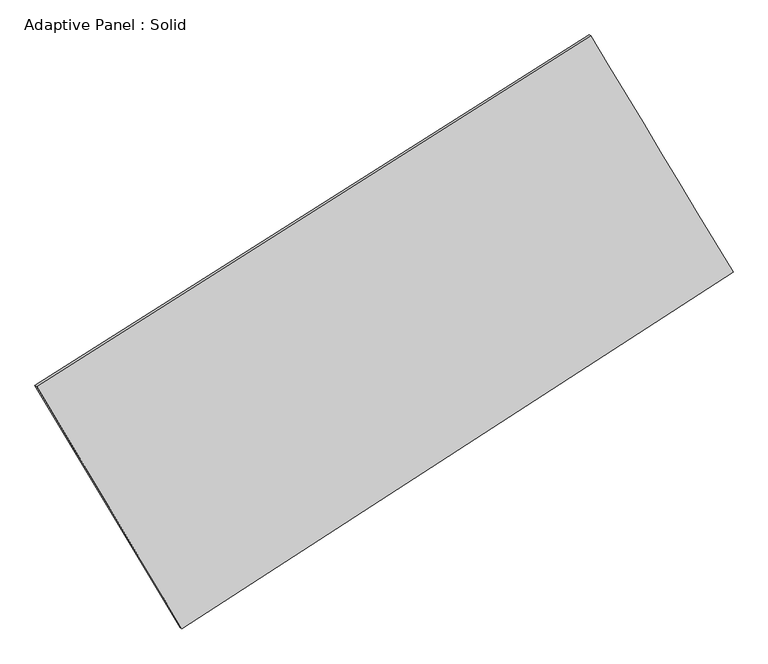
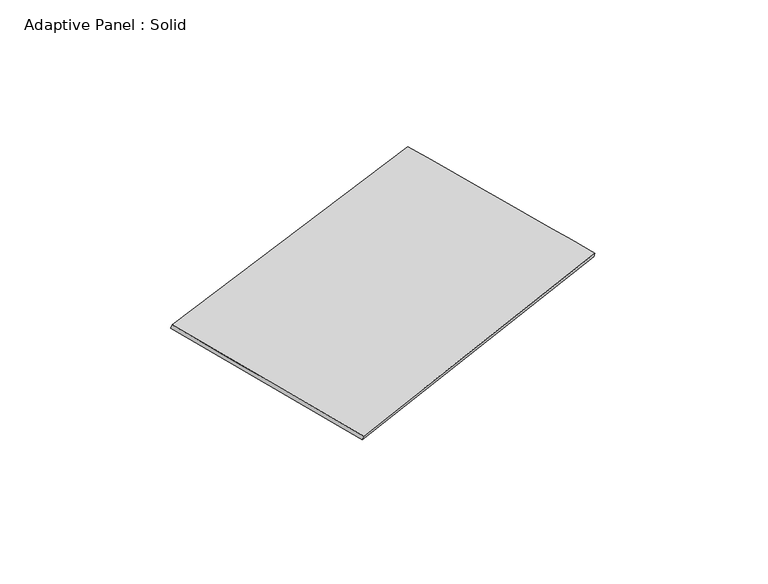
"""IFC4 building model written with IfcOpenShell, lengths in millimetres: plate geometry, Adaptive Panel : Solid."""

from ifc_helpers import new_model, si_unit, frame, origin, place, context, project, spatial, source, transform, mapped, element, save
from ifc_brep_helpers import plane_surface, spline_surface, advanced_brep


def adaptive_panel_solid_31df7fb3(model_context):
    return source(origin(), model_context, "Body", "AdvancedBrep", [
        advanced_brep(
        [(1156.6008551, 2502.2212679, 655.0144508), (-3726.6449679, -590.0017107, 1764.5332879), (-3711.978612, -596.3818042, 1811.9061959), (1171.2672109, 2495.8411745, 702.3873588), (-2445.061212, -2728.5904705, 1065.7783018), (-2430.3948561, -2734.970564, 1113.1512099), (2411.8147466, 416.1223405, -0.2035203), (2426.4811025, 409.742247, 47.1693877)],
        [
            (0, 1),
            (1, 2),
            (2, 3),
            (3, 0),
            (1, 4),
            (4, 5),
            (5, 2),
            (4, 6),
            (6, 7),
            (7, 5),
            (6, 0),
            (3, 7),
        ],
        [
            plane_surface(frame((-1285.0220564, 956.1097786, 1209.7738693), z_axis=(-0.47373856209484155, 0.8414147166415518, 0.2599866331243386), x_axis=(-0.8297096385535765, -0.5253979223997566, 0.18851774141791783))),
            plane_surface(frame((-3085.8530899, -1659.2960906, 1415.1557949), z_axis=(-0.8169947600923276, -0.5481211782093967, 0.17911654301047447), x_axis=(0.49496103175907763, -0.8259453150550254, -0.2698664736099026))),
            plane_surface(frame((-16.6232327, -1156.234065, 532.7873908), z_axis=(0.4833011756813971, -0.835291431717448, -0.2621224860335252), x_axis=(0.8255173859862845, 0.5345030677156324, -0.18118365278619933))),
            plane_surface(frame((1784.2078009, 1459.1718042, 327.4054652), z_axis=(0.817107267082206, 0.5479338069222325, -0.1791766092802254), x_axis=(-0.49785459522728753, 0.8274079374880255, 0.259878638969973))),
            spline_surface(1, 1, [[(-3711.978612, -596.3818042, 1811.9061959), (1171.2672109, 2495.8411745, 702.3873588)], [(-2430.3948561, -2734.970564, 1113.1512099), (2426.4811025, 409.742247, 47.1693877)]], [2, 2], [2, 2], [0.0, 1.0], [0.0, 1.0]),
            spline_surface(1, 1, [[(2411.8147466, 416.1223405, -0.2035203), (1156.6008551, 2502.2212679, 655.0144508)], [(-2445.061212, -2728.5904705, 1065.7783018), (-3726.6449679, -590.0017107, 1764.5332879)]], [2, 2], [2, 2], [0.0, 1.0], [0.0, 1.0]),
        ],
        [
            (0, [[1, 2, 3, 4]]),
            (1, [[5, 6, 7, -2]]),
            (2, [[8, 9, 10, -6]]),
            (3, [[11, -4, 12, -9]]),
            (4, [[-3, -7, -10, -12]]),
            (5, [[-11, -8, -5, -1]]),
        ],
    ),
    ])


if __name__ == "__main__":
    model = new_model("IFC4")
    model_context = context("Model", 3, world=origin())
    ifc_project = project(units=[si_unit("LENGTHUNIT", "METRE", prefix="MILLI")], contexts=[model_context])
    site = spatial("IfcSite", under=ifc_project)
    building = spatial("IfcBuilding", under=site)
    placement = place(None, origin())
    adaptive_panel_solid_shape = adaptive_panel_solid_31df7fb3(model_context)
    element("IfcPlate", 1, ObjectType="Adaptive Panel : Solid", at=placement, inside=building, context=model_context, shape_type="MappedRepresentation", body=[
        mapped(adaptive_panel_solid_shape, transform((0.0, 0.0, 0.0), x_axis=(1.0, 0.0, 0.0), y_axis=(0.0, 1.0, 0.0), z_axis=(0.0, 0.0, 1.0))),
    ])
    save(model, "model.ifc")
